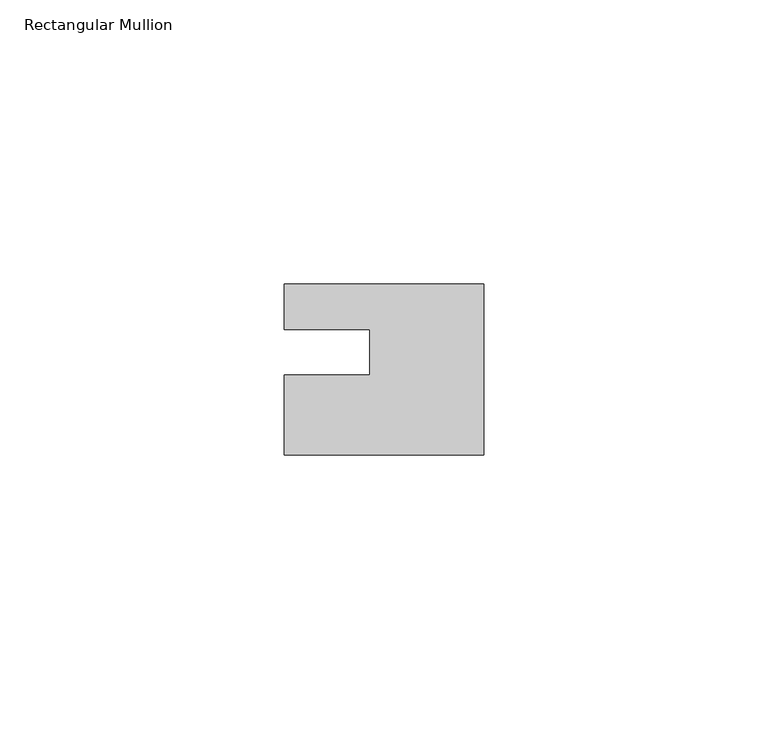
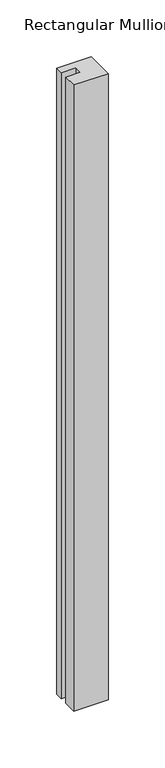
"""IFC4 building model written with IfcOpenShell, lengths in millimetres: member geometry, Rectangular Mullion."""

from ifc_helpers import new_model, si_unit, frame, origin, place, context, project, spatial, polyline, outline, extrude, source, transform, mapped, element, save


def rectangular_mullion_3bcadb0f(model_context):
    return source(origin(), model_context, "Body", "SweptSolid", [
        extrude(outline(polyline([(0.0, 7.94), (0.0, -22.06), (-35.0, -22.06), (-35.0, -8.0), (-20.0, -8.0), (-20.0, 0.001), (-35.0, 0.001), (-35.0, 7.94), (0.0, 7.94)])), frame((0.0, 0.0, -674.1036395), z_axis=(0.0, 0.0, 1.0), x_axis=(1.0, 0.0, 0.0)), (0.0, 0.0, 1.0), 674.1036395),
    ])


if __name__ == "__main__":
    model = new_model("IFC4")
    model_context = context("Model", 3, world=origin())
    ifc_project = project(units=[si_unit("LENGTHUNIT", "METRE", prefix="MILLI")], contexts=[model_context])
    site = spatial("IfcSite", under=ifc_project)
    building = spatial("IfcBuilding", under=site)
    placement = place(None, origin())
    rectangular_mullion_shape = rectangular_mullion_3bcadb0f(model_context)
    element("IfcMember", 1, ObjectType="Rectangular Mullion", at=placement, inside=building, context=model_context, shape_type="MappedRepresentation", body=[
        mapped(rectangular_mullion_shape, transform((0.0, 0.0, 0.0), x_axis=(1.0, 0.0, 0.0), y_axis=(0.0, 1.0, 0.0), z_axis=(0.0, 0.0, 1.0))),
    ])
    save(model, "model.ifc")
